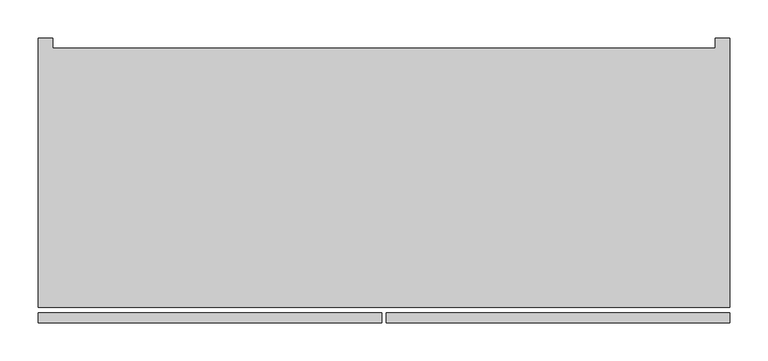
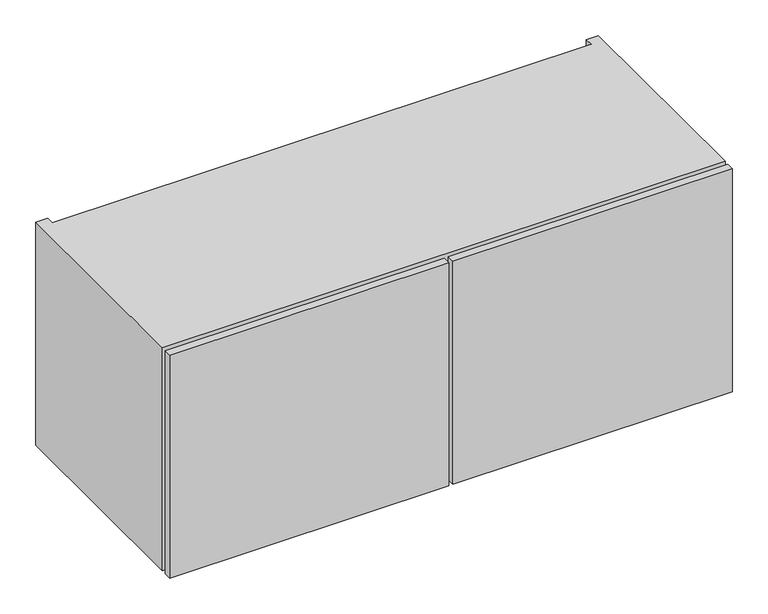
"""IFC4 building model written with IfcOpenShell, lengths in millimetres: furniture geometry."""

import ifcopenshell
import ifcopenshell.guid

model = None  # the IFC model being written
_history = None  # IfcOwnerHistory: only IFC2X3 demands one
_inside = {}  # id of a spatial element -> (the spatial element, [elements in it])
_under = {}  # id of a project, library or spatial element -> (it, [spatial elements below it])
_declared = {}  # id of a project -> (the project, [libraries it declares])
_typed = {}  # id of a type object -> (the type object, [elements of that type])
_made_of = {}  # id of a material, layer set ... -> (it, [elements and type objects made of it])


def new_model(schema):
    """Start an empty IFC model of exactly this schema.

    Asked for "IFC4X3", IfcOpenShell would pick the latest addendum, in which some entities
    have other attributes; the version numbers below select the first issue.
    IFC2X3 requires an IfcOwnerHistory on every rooted entity: one is made here for all.
    """
    global model, _history
    if schema == "IFC4X3":
        model = ifcopenshell.file(schema_version=(4, 3, 0, 0))
    else:
        model = ifcopenshell.file(schema=schema)
    _inside.clear()
    _under.clear()
    _declared.clear()
    _typed.clear()
    _made_of.clear()
    _history = None
    if model.schema == "IFC2X3":
        org = make("IfcOrganization", Name="unknown")
        user = make(
            "IfcPersonAndOrganization",
            ThePerson=make("IfcPerson", FamilyName="unknown"),
            TheOrganization=org,
        )
        app = make(
            "IfcApplication",
            ApplicationDeveloper=org,
            Version="unknown",
            ApplicationFullName="unknown",
            ApplicationIdentifier="unknown",
        )
        _history = make(
            "IfcOwnerHistory",
            OwningUser=user,
            OwningApplication=app,
            ChangeAction="ADDED",
            CreationDate=0,
        )
    return model


def make(cls, **values):
    """One entity of the class cls with the attributes given. An attribute that is None is left unset."""
    return model.create_entity(
        cls, **{name: value for name, value in values.items() if value is not None}
    )


def rooted(cls, **values):
    """An entity with a GlobalId (a new one), such as an element, a storey or a relation."""
    return make(cls, GlobalId=ifcopenshell.guid.new(), OwnerHistory=_history, **values)


def si_unit(unit_type, name, prefix=None):
    """IfcSIUnit, for example si_unit("LENGTHUNIT", "METRE", prefix="MILLI")."""
    return make("IfcSIUnit", UnitType=unit_type, Prefix=prefix, Name=name)


def assignment(units):
    """IfcUnitAssignment: the units of a project."""
    return None if units is None else make("IfcUnitAssignment", Units=units)


def point(xyz):
    """IfcCartesianPoint."""
    return None if xyz is None else make("IfcCartesianPoint", Coordinates=xyz)


def direction(xyz):
    """IfcDirection."""
    return None if xyz is None else make("IfcDirection", DirectionRatios=xyz)


def frame(location, z_axis=None, x_axis=None):
    """IfcAxis2Placement3D, a coordinate frame: its origin and axes. An axis left out is left unset."""
    return make(
        "IfcAxis2Placement3D",
        Location=point(location),
        Axis=direction(z_axis),
        RefDirection=direction(x_axis),
    )


def origin():
    """The frame at (0, 0, 0) with its axes left unset."""
    return frame((0.0, 0.0, 0.0))


def place(relative_to, where):
    """IfcLocalPlacement: puts the frame where relative to a parent placement (None: the world)."""
    return make(
        "IfcLocalPlacement", PlacementRelTo=relative_to, RelativePlacement=where
    )


def context(
    kind, dimensions, precision=None, world=None, true_north=None, identifier=None
):
    """IfcGeometricRepresentationContext, for example the 3D "Model" context."""
    return make(
        "IfcGeometricRepresentationContext",
        ContextIdentifier=identifier,
        ContextType=kind,
        CoordinateSpaceDimension=dimensions,
        Precision=precision,
        WorldCoordinateSystem=world,
        TrueNorth=true_north,
    )


def project(units=None, contexts=None):
    """IfcProject with its units and contexts."""
    return rooted(
        "IfcProject",
        Name="project",
        RepresentationContexts=contexts,
        UnitsInContext=assignment(units),
    )


def spatial(cls, under=None, at=None, **own):
    """A site, building, storey or space (cls), placed at a placement, below another one or the project."""
    s = rooted(cls, ObjectPlacement=at, **own)
    if under is not None:
        _under.setdefault(under.id(), (under, []))[1].append(s)
    return s


def polyline(points):
    """IfcPolyline through the points."""
    return make("IfcPolyline", Points=[point(p) for p in points])


def outline(outer, holes=None, kind="AREA"):
    """IfcArbitraryClosedProfileDef: a profile drawn as a closed curve; with holes, ...WithVoids."""
    if holes is None:
        return make("IfcArbitraryClosedProfileDef", ProfileType=kind, OuterCurve=outer)
    return make(
        "IfcArbitraryProfileDefWithVoids",
        ProfileType=kind,
        OuterCurve=outer,
        InnerCurves=holes,
    )


def extrude(swept, where, along, depth):
    """IfcExtrudedAreaSolid: the profile swept, set in the frame where, extruded along a direction by depth."""
    return make(
        "IfcExtrudedAreaSolid",
        SweptArea=swept,
        Position=where,
        ExtrudedDirection=direction(along),
        Depth=depth,
    )


def faces_of(points, faces, orient=None, outer=None):
    """IfcFace entities. A face is a list of loops; a loop is a list of indices into points, from 0.

    orient and outer hold one flag for each loop. By default every Orientation is true, the
    first loop of a face is its IfcFaceOuterBound and the others are IfcFaceBound.
    """
    made = []
    for i, loops in enumerate(faces):
        bounds = []
        for j, loop in enumerate(loops):
            is_outer = j == 0 if outer is None else outer[i][j]
            bounds.append(
                make(
                    "IfcFaceOuterBound" if is_outer else "IfcFaceBound",
                    Bound=make("IfcPolyLoop", Polygon=[points[k] for k in loop]),
                    Orientation=True if orient is None else orient[i][j],
                )
            )
        made.append(make("IfcFace", Bounds=bounds))
    return made


def faceted_brep(points, faces, orient=None, outer=None, voids=None):
    """IfcFacetedBrep: a solid bounded by flat faces; with voids (closed shells), ...WithVoids."""
    shared = [point(p) for p in points]
    hull = make("IfcClosedShell", CfsFaces=faces_of(shared, faces, orient, outer))
    if voids is None:
        return make("IfcFacetedBrep", Outer=hull)
    return make(
        "IfcFacetedBrepWithVoids",
        Outer=hull,
        Voids=[
            make(cls, CfsFaces=faces_of(shared, fs, o, b)) for cls, fs, o, b in voids
        ],
    )


def shape(context_of_items, identifier, shape_type, items):
    """IfcShapeRepresentation: the items that make up one representation, for example the "Body"."""
    return make(
        "IfcShapeRepresentation",
        ContextOfItems=context_of_items,
        RepresentationIdentifier=identifier,
        RepresentationType=shape_type,
        Items=items,
    )


def source(mapping_origin, context_of_items, identifier, shape_type, items):
    """IfcRepresentationMap: a shape defined once, which mapped items show again and again."""
    return make(
        "IfcRepresentationMap",
        MappingOrigin=mapping_origin,
        MappedRepresentation=shape(context_of_items, identifier, shape_type, items),
    )


def transform(
    local_origin,
    x_axis=None,
    y_axis=None,
    z_axis=None,
    scale=None,
    scale2=None,
    scale3=None,
    uniform=True,
):
    """IfcCartesianTransformationOperator3D, or its non-uniform kind. x_axis, y_axis, z_axis: its Axis1, 2, 3."""
    if uniform:
        return make(
            "IfcCartesianTransformationOperator3D",
            Axis1=direction(x_axis),
            Axis2=direction(y_axis),
            LocalOrigin=point(local_origin),
            Scale=scale,
            Axis3=direction(z_axis),
        )
    return make(
        "IfcCartesianTransformationOperator3DnonUniform",
        Axis1=direction(x_axis),
        Axis2=direction(y_axis),
        LocalOrigin=point(local_origin),
        Scale=scale,
        Axis3=direction(z_axis),
        Scale2=scale2,
        Scale3=scale3,
    )


def mapped(mapping_source, mapping_target):
    """IfcMappedItem: shows the shape of a source again, moved by a transform."""
    return make(
        "IfcMappedItem", MappingSource=mapping_source, MappingTarget=mapping_target
    )


def made_of(thing, what):
    """Note that an element or type object is made of a material, layer set ...; save() writes the relation."""
    if what is not None:
        _made_of.setdefault(what.id(), (what, []))[1].append(thing)
    return thing


def element(
    cls,
    number,
    at=None,
    inside=None,
    cuts=None,
    type_object=None,
    material=None,
    context=None,
    identifier="Body",
    shape_type=None,
    held_by="IfcProductDefinitionShape",
    body=None,
    shapes=None,
    **own,
):
    """One element of the class cls, such as IfcWall. Its Tag is "e" and its number.

    at: its placement. inside: the storey or other place that contains it. cuts: it is an
    opening in that element (IfcRelVoidsElement). A single representation is given by context,
    identifier, shape_type and body (its items); several are given by shapes. held_by: the class
    of the entity that holds the representations. save() writes the other relations.
    """
    e = rooted(cls, Tag="e%d" % number, ObjectPlacement=at, **own)
    if body is not None:
        shapes = [shape(context, identifier, shape_type, body)]
    if shapes is not None:
        e.Representation = make(held_by, Representations=shapes)
    if inside is not None:
        _inside.setdefault(inside.id(), (inside, []))[1].append(e)
    if cuts is not None:
        rooted(
            "IfcRelVoidsElement", RelatingBuildingElement=cuts, RelatedOpeningElement=e
        )
    if type_object is not None:
        _typed.setdefault(type_object.id(), (type_object, []))[1].append(e)
    return made_of(e, material)


def aggregate(whole, parts):
    """IfcRelAggregates: a whole, such as a stair, and the parts it consists of."""
    return rooted("IfcRelAggregates", RelatingObject=whole, RelatedObjects=parts)


def save(model, path):
    """Write the relations noted so far, then the file.

    IfcRelAggregates (storeys below a building ...), IfcRelContainedInSpatialStructure (elements
    in a storey), IfcRelDefinesByType, IfcRelAssociatesMaterial and IfcRelDeclares: one each for
    every whole, place, type object, material and project.
    """
    for whole, parts in _under.values():
        aggregate(whole, parts)
    for where, things in _inside.values():
        rooted(
            "IfcRelContainedInSpatialStructure",
            RelatedElements=things,
            RelatingStructure=where,
        )
    for kind, things in _typed.values():
        rooted("IfcRelDefinesByType", RelatedObjects=things, RelatingType=kind)
    for what, things in _made_of.values():
        rooted("IfcRelAssociatesMaterial", RelatedObjects=things, RelatingMaterial=what)
    for by, libraries in _declared.values():
        rooted("IfcRelDeclares", RelatingContext=by, RelatedDefinitions=libraries)
    model.write(path)


def furniture_1fe953b3(model_context):
    return source(origin(), model_context, "Body", "SolidModel", [
        extrude(outline(polyline([(-5.715, -215.8273724), (-457.2, -215.8273724), (-457.2, -203.1273724), (-5.715, -203.1273724), (-5.715, -215.8273724)])), frame((0.0, 0.0, 1143.0), z_axis=(0.0, 0.0, 1.0), x_axis=(1.0, 0.0, 0.0)), (0.0, 0.0, 1.0), 381.0),
        extrude(outline(polyline([(452.12, -215.8273724), (0.635, -215.8273724), (0.635, -203.1273724), (452.12, -203.1273724), (452.12, -215.8273724)])), frame((0.0, 0.0, 1143.0), z_axis=(0.0, 0.0, 1.0), x_axis=(1.0, 0.0, 0.0)), (0.0, 0.0, 1.0), 381.0),
        extrude(outline(polyline([(432.816, 145.5282676), (432.816, 126.2242676), (-437.896, 126.2242676), (-437.896, 145.5282676), (432.816, 145.5282676)])), frame((0.0, 0.0, 1162.304), z_axis=(0.0, 0.0, 1.0), x_axis=(1.0, 0.0, 0.0)), (0.0, 0.0, 1.0), 342.392),
        faceted_brep([(-457.2, -195.5073724, 1524.0), (-457.2, -195.5073724, 1143.0), (452.12, -195.5073724, 1143.0), (452.12, -195.5073724, 1524.0), (-437.896, -195.5073724, 1504.696), (432.816, -195.5073724, 1504.696), (432.816, -195.5073724, 1162.304), (-437.896, -195.5073724, 1162.304), (432.816, 145.5282676, 1504.696), (-437.896, 145.5282676, 1504.696), (-437.896, 145.5282676, 1524.0), (432.816, 145.5282676, 1524.0), (432.816, 145.5282676, 1143.0), (-437.896, 145.5282676, 1143.0), (-437.896, 145.5282676, 1162.304), (432.816, 145.5282676, 1162.304), (452.12, 158.8226276, 1524.0), (432.816, 158.8226276, 1524.0), (-437.896, 158.8226276, 1524.0), (-457.2, 158.8226276, 1524.0), (-457.2, 158.8226276, 1143.0), (-437.896, 158.8226276, 1143.0), (432.816, 158.8226276, 1143.0), (452.12, 158.8226276, 1143.0)], [[[0, 1, 2, 3], [4, 5, 6, 7]], [[8, 9, 10, 11]], [[12, 13, 14, 15]], [[0, 3, 16, 17, 11, 10, 18, 19]], [[5, 4, 9, 8]], [[7, 6, 15, 14]], [[2, 1, 20, 21, 13, 12, 22, 23]], [[19, 18, 21, 20]], [[0, 19, 20, 1]], [[21, 18, 10, 9, 4, 7, 14, 13]], [[17, 22, 12, 15, 6, 5, 8, 11]], [[16, 3, 2, 23]], [[17, 16, 23, 22]]]),
    ])


if __name__ == "__main__":
    model = new_model("IFC4")
    model_context = context("Model", 3, world=origin())
    ifc_project = project(units=[si_unit("LENGTHUNIT", "METRE", prefix="MILLI")], contexts=[model_context])
    site = spatial("IfcSite", under=ifc_project)
    building = spatial("IfcBuilding", under=site)
    placement = place(None, origin())
    furniture_shape = furniture_1fe953b3(model_context)
    element("IfcFurniture", 1, at=placement, inside=building, context=model_context, shape_type="MappedRepresentation", body=[
        mapped(furniture_shape, transform((0.0, 0.0, 0.0), x_axis=(1.0, 0.0, 0.0), y_axis=(0.0, 1.0, 0.0), z_axis=(0.0, 0.0, 1.0))),
    ])
    save(model, "model.ifc")
